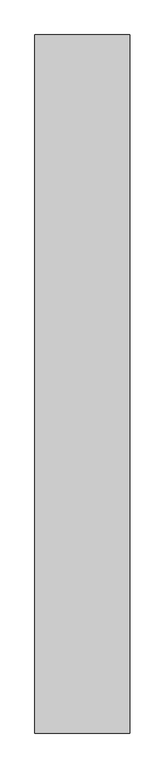
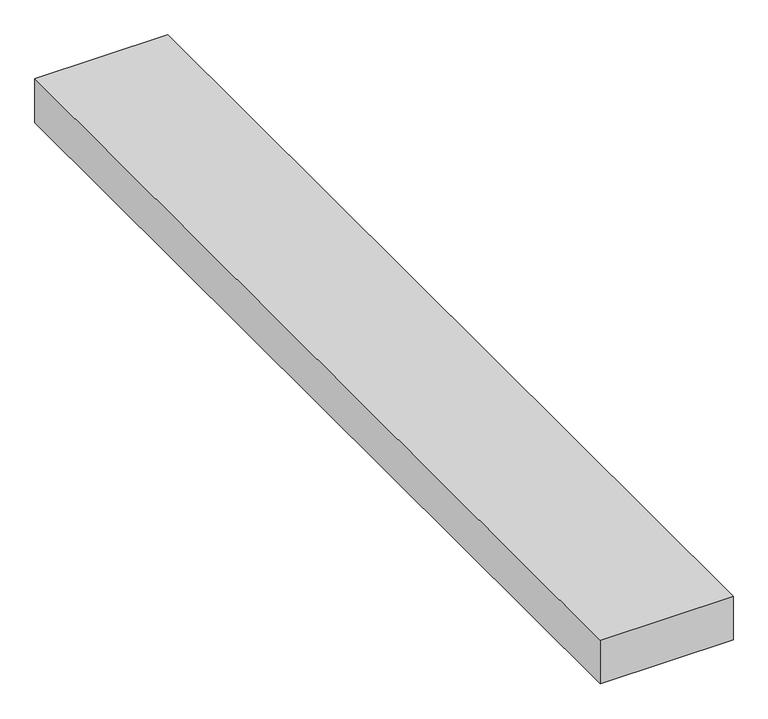
"""IFC4 building model written with IfcOpenShell, lengths in millimetres: proxy geometry."""

from ifc_helpers import new_model, si_unit, origin, origin_with_axes, place, context, project, spatial, polyline, outline, extrude, source, transform, mapped, element, save


def generic_models_f2fd2a74(model_context):
    return source(origin(), model_context, "Body", "SweptSolid", [
        extrude(outline(polyline([(0.0, 7000.0), (0.0, 0.0), (-950.0, 0.0), (-950.0, 7000.0), (0.0, 7000.0)])), origin_with_axes(), (0.0, 0.0, 1.0), 330.0),
    ])


if __name__ == "__main__":
    model = new_model("IFC4")
    model_context = context("Model", 3, world=origin())
    ifc_project = project(units=[si_unit("LENGTHUNIT", "METRE", prefix="MILLI")], contexts=[model_context])
    site = spatial("IfcSite", under=ifc_project)
    building = spatial("IfcBuilding", under=site)
    placement = place(None, origin())
    generic_models_shape = generic_models_f2fd2a74(model_context)
    element("IfcBuildingElementProxy", 1, Name="Generic Models", at=placement, inside=building, context=model_context, shape_type="MappedRepresentation", body=[
        mapped(generic_models_shape, transform((0.0, 0.0, 0.0), x_axis=(1.0, 0.0, 0.0), y_axis=(0.0, 1.0, 0.0), z_axis=(0.0, 0.0, 1.0))),
    ])
    save(model, "model.ifc")
